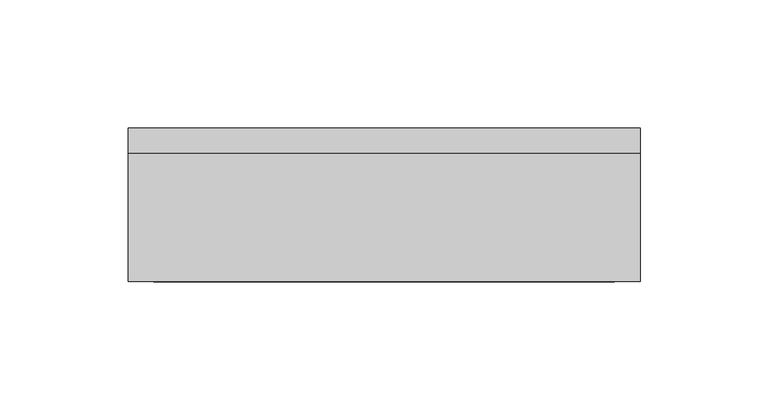
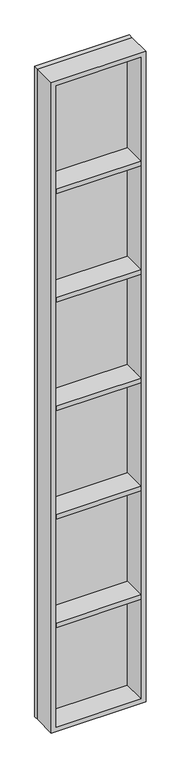
"""IFC4 building model written with IfcOpenShell, lengths in millimetres: proxy geometry."""

import ifcopenshell
import ifcopenshell.guid

model = None  # the IFC model being written
_history = None  # IfcOwnerHistory: only IFC2X3 demands one
_inside = {}  # id of a spatial element -> (the spatial element, [elements in it])
_under = {}  # id of a project, library or spatial element -> (it, [spatial elements below it])
_declared = {}  # id of a project -> (the project, [libraries it declares])
_typed = {}  # id of a type object -> (the type object, [elements of that type])
_made_of = {}  # id of a material, layer set ... -> (it, [elements and type objects made of it])


def new_model(schema):
    """Start an empty IFC model of exactly this schema.

    Asked for "IFC4X3", IfcOpenShell would pick the latest addendum, in which some entities
    have other attributes; the version numbers below select the first issue.
    IFC2X3 requires an IfcOwnerHistory on every rooted entity: one is made here for all.
    """
    global model, _history
    if schema == "IFC4X3":
        model = ifcopenshell.file(schema_version=(4, 3, 0, 0))
    else:
        model = ifcopenshell.file(schema=schema)
    _inside.clear()
    _under.clear()
    _declared.clear()
    _typed.clear()
    _made_of.clear()
    _history = None
    if model.schema == "IFC2X3":
        org = make("IfcOrganization", Name="unknown")
        user = make(
            "IfcPersonAndOrganization",
            ThePerson=make("IfcPerson", FamilyName="unknown"),
            TheOrganization=org,
        )
        app = make(
            "IfcApplication",
            ApplicationDeveloper=org,
            Version="unknown",
            ApplicationFullName="unknown",
            ApplicationIdentifier="unknown",
        )
        _history = make(
            "IfcOwnerHistory",
            OwningUser=user,
            OwningApplication=app,
            ChangeAction="ADDED",
            CreationDate=0,
        )
    return model


def make(cls, **values):
    """One entity of the class cls with the attributes given. An attribute that is None is left unset."""
    return model.create_entity(
        cls, **{name: value for name, value in values.items() if value is not None}
    )


def rooted(cls, **values):
    """An entity with a GlobalId (a new one), such as an element, a storey or a relation."""
    return make(cls, GlobalId=ifcopenshell.guid.new(), OwnerHistory=_history, **values)


def si_unit(unit_type, name, prefix=None):
    """IfcSIUnit, for example si_unit("LENGTHUNIT", "METRE", prefix="MILLI")."""
    return make("IfcSIUnit", UnitType=unit_type, Prefix=prefix, Name=name)


def assignment(units):
    """IfcUnitAssignment: the units of a project."""
    return None if units is None else make("IfcUnitAssignment", Units=units)


def point(xyz):
    """IfcCartesianPoint."""
    return None if xyz is None else make("IfcCartesianPoint", Coordinates=xyz)


def direction(xyz):
    """IfcDirection."""
    return None if xyz is None else make("IfcDirection", DirectionRatios=xyz)


def frame(location, z_axis=None, x_axis=None):
    """IfcAxis2Placement3D, a coordinate frame: its origin and axes. An axis left out is left unset."""
    return make(
        "IfcAxis2Placement3D",
        Location=point(location),
        Axis=direction(z_axis),
        RefDirection=direction(x_axis),
    )


def origin():
    """The frame at (0, 0, 0) with its axes left unset."""
    return frame((0.0, 0.0, 0.0))


def origin_with_axes():
    """The frame at (0, 0, 0) with the z axis (0, 0, 1) and the x axis (1, 0, 0) written out."""
    return frame((0.0, 0.0, 0.0), z_axis=(0.0, 0.0, 1.0), x_axis=(1.0, 0.0, 0.0))


def place(relative_to, where):
    """IfcLocalPlacement: puts the frame where relative to a parent placement (None: the world)."""
    return make(
        "IfcLocalPlacement", PlacementRelTo=relative_to, RelativePlacement=where
    )


def context(
    kind, dimensions, precision=None, world=None, true_north=None, identifier=None
):
    """IfcGeometricRepresentationContext, for example the 3D "Model" context."""
    return make(
        "IfcGeometricRepresentationContext",
        ContextIdentifier=identifier,
        ContextType=kind,
        CoordinateSpaceDimension=dimensions,
        Precision=precision,
        WorldCoordinateSystem=world,
        TrueNorth=true_north,
    )


def project(units=None, contexts=None):
    """IfcProject with its units and contexts."""
    return rooted(
        "IfcProject",
        Name="project",
        RepresentationContexts=contexts,
        UnitsInContext=assignment(units),
    )


def spatial(cls, under=None, at=None, **own):
    """A site, building, storey or space (cls), placed at a placement, below another one or the project."""
    s = rooted(cls, ObjectPlacement=at, **own)
    if under is not None:
        _under.setdefault(under.id(), (under, []))[1].append(s)
    return s


def polyline(points):
    """IfcPolyline through the points."""
    return make("IfcPolyline", Points=[point(p) for p in points])


def outline(outer, holes=None, kind="AREA"):
    """IfcArbitraryClosedProfileDef: a profile drawn as a closed curve; with holes, ...WithVoids."""
    if holes is None:
        return make("IfcArbitraryClosedProfileDef", ProfileType=kind, OuterCurve=outer)
    return make(
        "IfcArbitraryProfileDefWithVoids",
        ProfileType=kind,
        OuterCurve=outer,
        InnerCurves=holes,
    )


def extrude(swept, where, along, depth):
    """IfcExtrudedAreaSolid: the profile swept, set in the frame where, extruded along a direction by depth."""
    return make(
        "IfcExtrudedAreaSolid",
        SweptArea=swept,
        Position=where,
        ExtrudedDirection=direction(along),
        Depth=depth,
    )


def shape(context_of_items, identifier, shape_type, items):
    """IfcShapeRepresentation: the items that make up one representation, for example the "Body"."""
    return make(
        "IfcShapeRepresentation",
        ContextOfItems=context_of_items,
        RepresentationIdentifier=identifier,
        RepresentationType=shape_type,
        Items=items,
    )


def source(mapping_origin, context_of_items, identifier, shape_type, items):
    """IfcRepresentationMap: a shape defined once, which mapped items show again and again."""
    return make(
        "IfcRepresentationMap",
        MappingOrigin=mapping_origin,
        MappedRepresentation=shape(context_of_items, identifier, shape_type, items),
    )


def transform(
    local_origin,
    x_axis=None,
    y_axis=None,
    z_axis=None,
    scale=None,
    scale2=None,
    scale3=None,
    uniform=True,
):
    """IfcCartesianTransformationOperator3D, or its non-uniform kind. x_axis, y_axis, z_axis: its Axis1, 2, 3."""
    if uniform:
        return make(
            "IfcCartesianTransformationOperator3D",
            Axis1=direction(x_axis),
            Axis2=direction(y_axis),
            LocalOrigin=point(local_origin),
            Scale=scale,
            Axis3=direction(z_axis),
        )
    return make(
        "IfcCartesianTransformationOperator3DnonUniform",
        Axis1=direction(x_axis),
        Axis2=direction(y_axis),
        LocalOrigin=point(local_origin),
        Scale=scale,
        Axis3=direction(z_axis),
        Scale2=scale2,
        Scale3=scale3,
    )


def mapped(mapping_source, mapping_target):
    """IfcMappedItem: shows the shape of a source again, moved by a transform."""
    return make(
        "IfcMappedItem", MappingSource=mapping_source, MappingTarget=mapping_target
    )


def made_of(thing, what):
    """Note that an element or type object is made of a material, layer set ...; save() writes the relation."""
    if what is not None:
        _made_of.setdefault(what.id(), (what, []))[1].append(thing)
    return thing


def element(
    cls,
    number,
    at=None,
    inside=None,
    cuts=None,
    type_object=None,
    material=None,
    context=None,
    identifier="Body",
    shape_type=None,
    held_by="IfcProductDefinitionShape",
    body=None,
    shapes=None,
    **own,
):
    """One element of the class cls, such as IfcWall. Its Tag is "e" and its number.

    at: its placement. inside: the storey or other place that contains it. cuts: it is an
    opening in that element (IfcRelVoidsElement). A single representation is given by context,
    identifier, shape_type and body (its items); several are given by shapes. held_by: the class
    of the entity that holds the representations. save() writes the other relations.
    """
    e = rooted(cls, Tag="e%d" % number, ObjectPlacement=at, **own)
    if body is not None:
        shapes = [shape(context, identifier, shape_type, body)]
    if shapes is not None:
        e.Representation = make(held_by, Representations=shapes)
    if inside is not None:
        _inside.setdefault(inside.id(), (inside, []))[1].append(e)
    if cuts is not None:
        rooted(
            "IfcRelVoidsElement", RelatingBuildingElement=cuts, RelatedOpeningElement=e
        )
    if type_object is not None:
        _typed.setdefault(type_object.id(), (type_object, []))[1].append(e)
    return made_of(e, material)


def aggregate(whole, parts):
    """IfcRelAggregates: a whole, such as a stair, and the parts it consists of."""
    return rooted("IfcRelAggregates", RelatingObject=whole, RelatedObjects=parts)


def save(model, path):
    """Write the relations noted so far, then the file.

    IfcRelAggregates (storeys below a building ...), IfcRelContainedInSpatialStructure (elements
    in a storey), IfcRelDefinesByType, IfcRelAssociatesMaterial and IfcRelDeclares: one each for
    every whole, place, type object, material and project.
    """
    for whole, parts in _under.values():
        aggregate(whole, parts)
    for where, things in _inside.values():
        rooted(
            "IfcRelContainedInSpatialStructure",
            RelatedElements=things,
            RelatingStructure=where,
        )
    for kind, things in _typed.values():
        rooted("IfcRelDefinesByType", RelatedObjects=things, RelatingType=kind)
    for what, things in _made_of.values():
        rooted("IfcRelAssociatesMaterial", RelatedObjects=things, RelatingMaterial=what)
    for by, libraries in _declared.values():
        rooted("IfcRelDeclares", RelatingContext=by, RelatedDefinitions=libraries)
    model.write(path)


def generic_models_2e821404(model_context):
    return source(origin(), model_context, "Body", "SweptSolid", [
        extrude(outline(polyline([(190.0, -60.0), (10.0, -60.0), (10.0, -10.0), (190.0, -10.0), (190.0, -60.0)])), frame((0.0, 0.0, 231.6666667), z_axis=(0.0, 0.0, 1.0), x_axis=(1.0, 0.0, 0.0)), (0.0, 0.0, 1.0), 10.0),
        extrude(outline(polyline([(190.0, -60.0), (10.0, -60.0), (10.0, -10.0), (190.0, -10.0), (190.0, -60.0)])), frame((0.0, 0.0, 473.3333333), z_axis=(0.0, 0.0, 1.0), x_axis=(1.0, 0.0, 0.0)), (0.0, 0.0, 1.0), 10.0),
        extrude(outline(polyline([(190.0, -60.0), (10.0, -60.0), (10.0, -10.0), (190.0, -10.0), (190.0, -60.0)])), frame((0.0, 0.0, 715.0), z_axis=(0.0, 0.0, 1.0), x_axis=(1.0, 0.0, 0.0)), (0.0, 0.0, 1.0), 10.0),
        extrude(outline(polyline([(190.0, -60.0), (10.0, -60.0), (10.0, -10.0), (190.0, -10.0), (190.0, -60.0)])), frame((0.0, 0.0, 956.6666667), z_axis=(0.0, 0.0, 1.0), x_axis=(1.0, 0.0, 0.0)), (0.0, 0.0, 1.0), 10.0),
        extrude(outline(polyline([(190.0, -60.0), (10.0, -60.0), (10.0, -10.0), (190.0, -10.0), (190.0, -60.0)])), frame((0.0, 0.0, 1198.3333333), z_axis=(0.0, 0.0, 1.0), x_axis=(1.0, 0.0, 0.0)), (0.0, 0.0, 1.0), 10.0),
        extrude(outline(polyline([(1450.0, 200.0), (1450.0, 0.0), (0.0, 0.0), (0.0, 200.0), (1450.0, 200.0)]), holes=[polyline([(1440.0, 190.0), (10.0, 190.0), (10.0, 10.0), (1440.0, 10.0), (1440.0, 190.0)])]), frame((0.0, -60.0, 0.0), z_axis=(0.0, 1.0, 0.0), x_axis=(0.0, 0.0, 1.0)), (0.0, 0.0, 1.0), 50.0),
        extrude(outline(polyline([(200.0, -10.0), (0.0, -10.0), (0.0, 0.0), (200.0, 0.0), (200.0, -10.0)])), origin_with_axes(), (0.0, 0.0, 1.0), 1450.0),
    ])


if __name__ == "__main__":
    model = new_model("IFC4")
    model_context = context("Model", 3, world=origin())
    ifc_project = project(units=[si_unit("LENGTHUNIT", "METRE", prefix="MILLI")], contexts=[model_context])
    site = spatial("IfcSite", under=ifc_project)
    building = spatial("IfcBuilding", under=site)
    placement = place(None, origin())
    generic_models_shape = generic_models_2e821404(model_context)
    element("IfcBuildingElementProxy", 1, Name="Generic Models", at=placement, inside=building, context=model_context, shape_type="MappedRepresentation", body=[
        mapped(generic_models_shape, transform((0.0, 0.0, 0.0), x_axis=(1.0, 0.0, 0.0), y_axis=(0.0, 1.0, 0.0), z_axis=(0.0, 0.0, 1.0))),
    ])
    save(model, "model.ifc")
